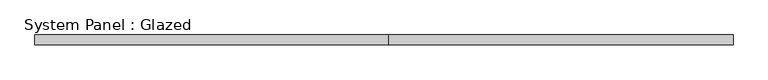
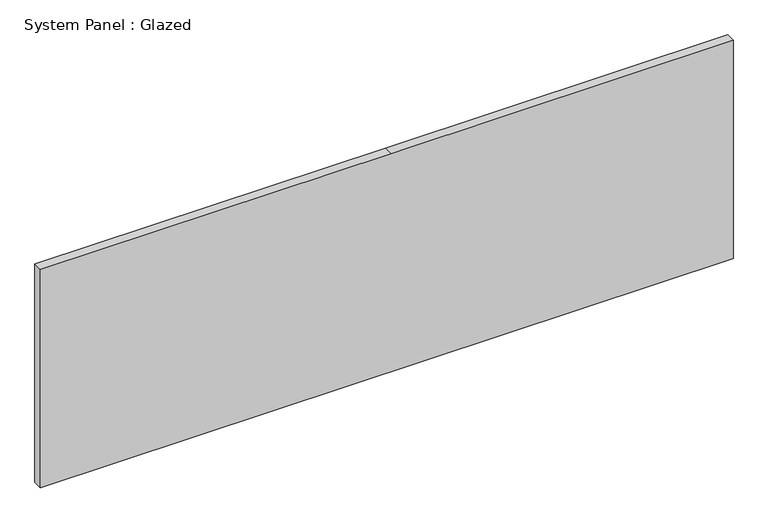
"""IFC4 building model written with IfcOpenShell, lengths in millimetres: plate geometry, System Panel : Glazed."""

from ifc_helpers import new_model, si_unit, frame, origin, place, context, project, spatial, polyline, outline, extrude, source, transform, mapped, element, save


def system_panel_glazed_309fcd9e(model_context):
    return source(origin(), model_context, "Body", "SweptSolid", [
        extrude(outline(polyline([(0.0, -914.4), (0.0, 914.4), (609.6, 914.4), (609.6, 12.3504297), (609.6, -914.4), (0.0, -914.4)])), frame((0.0, 19.05, 0.0), z_axis=(0.0, 1.0, 0.0), x_axis=(0.0, 0.0, 1.0)), (0.0, 0.0, 1.0), 25.4),
    ])


if __name__ == "__main__":
    model = new_model("IFC4")
    model_context = context("Model", 3, world=origin())
    ifc_project = project(units=[si_unit("LENGTHUNIT", "METRE", prefix="MILLI")], contexts=[model_context])
    site = spatial("IfcSite", under=ifc_project)
    building = spatial("IfcBuilding", under=site)
    placement = place(None, origin())
    system_panel_glazed_shape = system_panel_glazed_309fcd9e(model_context)
    element("IfcPlate", 1, ObjectType="System Panel : Glazed", at=placement, inside=building, context=model_context, shape_type="MappedRepresentation", body=[
        mapped(system_panel_glazed_shape, transform((0.0, 0.0, 0.0), x_axis=(1.0, 0.0, 0.0), y_axis=(0.0, 1.0, 0.0), z_axis=(0.0, 0.0, 1.0))),
    ])
    save(model, "model.ifc")
